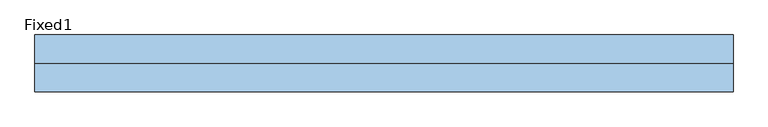
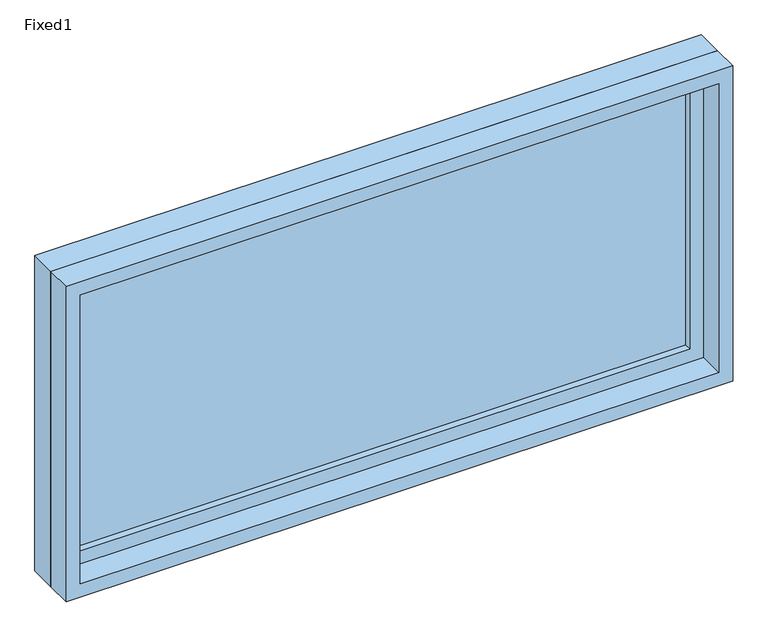
"""IFC4 building model written with IfcOpenShell, lengths in millimetres: window geometry, Fixed1."""

from ifc_helpers import new_model, si_unit, frame, origin, place, context, project, spatial, polyline, outline, extrude, source, transform, mapped, element, save


def fixed1_880d4178(model_context):
    return source(origin(), model_context, "Body", "SweptSolid", [
        extrude(outline(polyline([(660.4, 14.2875), (-736.6, 14.2875), (-736.6, 26.9875), (660.4, 26.9875), (660.4, 14.2875)])), frame((0.0, 0.0, 1130.3), z_axis=(0.0, 0.0, 1.0), x_axis=(1.0, 0.0, 0.0)), (0.0, 0.0, 1.0), 635.0),
        extrude(outline(polyline([(1809.75, -781.05), (1085.85, -781.05), (1085.85, 704.85), (1809.75, 704.85), (1809.75, -781.05)]), holes=[polyline([(1765.3, -736.6), (1765.3, 660.4), (1130.3, 660.4), (1130.3, -736.6), (1765.3, -736.6)])]), frame((0.0, -1.5875, 0.0), z_axis=(0.0, 1.0, 0.0), x_axis=(0.0, 0.0, 1.0)), (0.0, 0.0, 1.0), 44.45),
        extrude(outline(polyline([(1828.8, -800.1), (1066.8, -800.1), (1066.8, 723.9), (1828.8, 723.9), (1828.8, -800.1)]), holes=[polyline([(1797.05, -768.35), (1797.05, 692.15), (1098.55, 692.15), (1098.55, -768.35), (1797.05, -768.35)])]), frame((0.0, -61.9125, 0.0), z_axis=(0.0, 1.0, 0.0), x_axis=(0.0, 0.0, 1.0)), (0.0, 0.0, 1.0), 60.325),
        extrude(outline(polyline([(1828.8, 723.9), (1828.8, -800.1), (1066.8, -800.1), (1066.8, 723.9), (1828.8, 723.9)]), holes=[polyline([(1809.75, 704.85), (1085.85, 704.85), (1085.85, -781.05), (1809.75, -781.05), (1809.75, 704.85)])]), frame((0.0, -1.5875, 0.0), z_axis=(0.0, 1.0, 0.0), x_axis=(0.0, 0.0, 1.0)), (0.0, 0.0, 1.0), 63.5),
    ])


if __name__ == "__main__":
    model = new_model("IFC4")
    model_context = context("Model", 3, world=origin())
    ifc_project = project(units=[si_unit("LENGTHUNIT", "METRE", prefix="MILLI")], contexts=[model_context])
    site = spatial("IfcSite", under=ifc_project)
    building = spatial("IfcBuilding", under=site)
    placement = place(None, origin())
    fixed1_shape = fixed1_880d4178(model_context)
    element("IfcWindow", 1, ObjectType="Fixed1", at=placement, inside=building, context=model_context, shape_type="MappedRepresentation", body=[
        mapped(fixed1_shape, transform((0.0, 0.0, 0.0), x_axis=(1.0, 0.0, 0.0), y_axis=(0.0, 1.0, 0.0), z_axis=(0.0, 0.0, 1.0))),
    ])
    save(model, "model.ifc")
